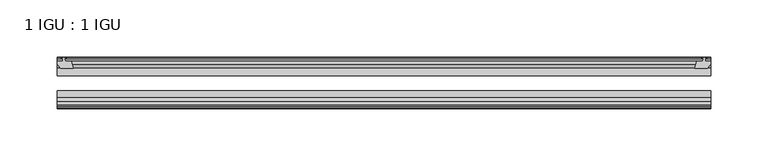
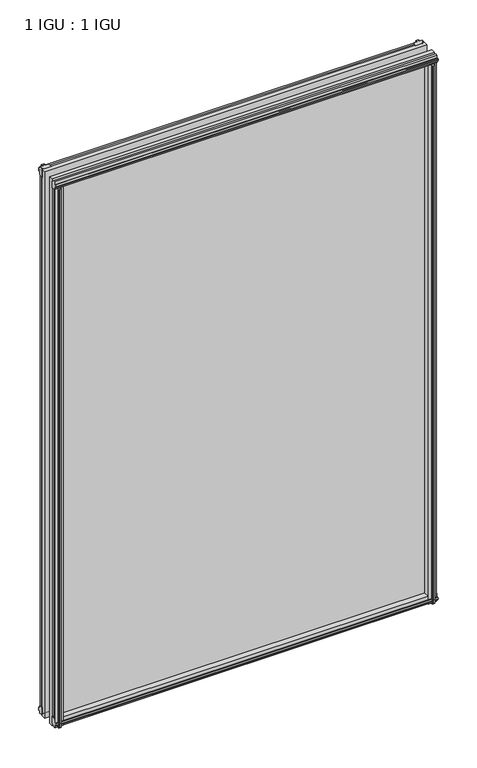
"""IFC4 building model written with IfcOpenShell, lengths in millimetres: plate geometry, 1 IGU : 1 IGU."""

from ifc_helpers import new_model, si_unit, frame, origin, place, context, project, spatial, polyline, outline, extrude, source, transform, mapped, element, save


def plate_1_igu_1_igu_de1ec655(model_context):
    return source(origin(), model_context, "Body", "SweptSolid", [
        extrude(outline(polyline([(277.7431709, -10.4746158), (279.9207, -9.7670938), (282.0982291, -10.4746158), (282.0982291, -11.27583), (280.6827, -10.8158968), (281.0637, -13.1960938), (285.5087, -13.1960938), (285.5087, -16.1424938), (282.6743578, -19.5460938), (271.8529819, -19.5460938), (273.5707, -13.1960938), (278.7777, -13.1960938), (279.1587, -10.8158968), (277.7431709, -11.27583), (277.7431709, -10.4746158)])), frame((0.0, 0.0, -12.4587), z_axis=(0.0, 0.0, 1.0), x_axis=(1.0, 0.0, 0.0)), (0.0, 0.0, 1.0), 863.1174),
        extrude(outline(polyline([(-279.9207, -9.7670937), (-277.7431709, -10.4746158), (-277.7431709, -11.27583), (-279.1587, -10.8158968), (-278.7777, -13.1960937), (-273.5707, -13.1960937), (-271.8529819, -19.5460937), (-282.6743578, -19.5460937), (-285.5087, -16.1424937), (-285.5087, -13.1960937), (-281.0637, -13.1960937), (-280.6827, -10.8158968), (-282.0982291, -11.27583), (-282.0982291, -10.4746158), (-279.9207, -9.7670937)])), frame((0.0, 0.0, -12.4587), z_axis=(0.0, 0.0, 1.0), x_axis=(1.0, 0.0, 0.0)), (0.0, 0.0, 1.0), 863.1174),
        extrude(outline(polyline([(271.3355839, -44.9460938), (282.1569598, -44.9460938), (284.991302, -48.3496938), (284.991302, -51.2960938), (280.546302, -51.2960938), (280.165302, -53.6762907), (281.580831, -53.2163575), (281.580831, -54.0175717), (279.403302, -54.7250938), (277.2257729, -54.0175717), (277.2257729, -53.2163575), (278.641302, -53.6762907), (278.260302, -51.2960938), (273.053302, -51.2960938), (271.3355839, -44.9460938)])), frame((0.0, 0.0, -12.4587), z_axis=(0.0, 0.0, 1.0), x_axis=(1.0, 0.0, 0.0)), (0.0, 0.0, 1.0), 850.4174),
        extrude(outline(polyline([(-271.3322819, -44.9460937), (-273.05, -51.2960937), (-278.257, -51.2960937), (-278.638, -53.6762907), (-277.2224709, -53.2163575), (-277.2224709, -54.0175717), (-279.4, -54.7250937), (-281.5775291, -54.0175717), (-281.5775291, -53.2163575), (-280.162, -53.6762907), (-280.543, -51.2960937), (-284.988, -51.2960937), (-284.988, -48.3496937), (-282.1536578, -44.9460937), (-271.3322819, -44.9460937)])), frame((0.0, 0.0, -12.4587), z_axis=(0.0, 0.0, 1.0), x_axis=(1.0, 0.0, 0.0)), (0.0, 0.0, 1.0), 850.4174),
        extrude(outline(polyline([(-10.4746158, -4.6931709), (-9.7670937, -6.8707), (-10.4746158, -9.0482291), (-11.27583, -9.0482291), (-10.8158968, -7.6327), (-13.1960937, -8.0137), (-13.1960937, -12.4587), (-16.1424937, -12.4587), (-19.5460937, -9.6243578), (-19.5460937, 1.1970181), (-13.1960937, -0.5207), (-13.1960937, -5.7277), (-10.8158968, -6.1087), (-11.27583, -4.6931709), (-10.4746158, -4.6931709)])), frame((-285.75, 0.0, 0.0), z_axis=(1.0, 0.0, 0.0), x_axis=(0.0, 1.0, 0.0)), (0.0, 0.0, 1.0), 571.5),
        extrude(outline(polyline([(-44.9460937, 1.7177181), (-44.9460937, -9.1036578), (-48.3496937, -11.938), (-51.2960937, -11.938), (-51.2960937, -7.493), (-53.6762907, -7.112), (-53.2163575, -8.5275291), (-54.0175717, -8.5275291), (-54.7250937, -6.35), (-54.0175717, -4.1724709), (-53.2163575, -4.1724709), (-53.6762907, -5.588), (-51.2960937, -5.207), (-51.2960937, 0.0), (-44.9460937, 1.7177181)])), frame((-285.75, 0.0, 0.0), z_axis=(1.0, 0.0, 0.0), x_axis=(0.0, 1.0, 0.0)), (0.0, 0.0, 1.0), 571.5),
        extrude(outline(polyline([(-10.8158968, 845.8327), (-11.27583, 847.2482291), (-10.4746158, 847.2482291), (-9.7670937, 845.0707), (-10.4746158, 842.8931709), (-11.27583, 842.8931709), (-10.8158968, 844.3087), (-13.1960937, 843.9277), (-13.1960937, 838.7207), (-19.5460938, 837.0029819), (-19.5460938, 847.8243578), (-16.1424937, 850.6587), (-13.1960937, 850.6587), (-13.1960937, 846.2137), (-10.8158968, 845.8327)])), frame((-285.75, 0.0, 0.0), z_axis=(1.0, 0.0, 0.0), x_axis=(0.0, 1.0, 0.0)), (0.0, 0.0, 1.0), 571.5),
        extrude(outline(polyline([(-51.2960937, 850.138), (-48.3496937, 850.138), (-44.9460938, 847.3036578), (-44.9460938, 836.4822819), (-51.2960937, 838.2), (-51.2960937, 843.407), (-53.6762907, 843.788), (-53.2163575, 842.3724709), (-54.0175717, 842.3724709), (-54.7250937, 844.55), (-54.0175717, 846.7275291), (-53.2163575, 846.7275291), (-53.6762907, 845.312), (-51.2960937, 845.693), (-51.2960937, 850.138)])), frame((-285.75, 0.0, 0.0), z_axis=(1.0, 0.0, 0.0), x_axis=(0.0, 1.0, 0.0)), (0.0, 0.0, 1.0), 571.5),
        extrude(outline(polyline([(-285.75, -38.9186738), (285.75, -38.9186738), (285.75, -44.9460937), (-285.75, -44.9460937), (-285.75, -38.9186738)])), frame((0.0, 0.0, -12.7), z_axis=(0.0, 0.0, 1.0), x_axis=(1.0, 0.0, 0.0)), (0.0, 0.0, 1.0), 863.6),
        extrude(outline(polyline([(-285.75, -19.5460937), (285.75, -19.5460937), (285.75, -25.8960938), (-285.75, -25.8960938), (-285.75, -19.5460937)])), frame((0.0, 0.0, -12.7), z_axis=(0.0, 0.0, 1.0), x_axis=(1.0, 0.0, 0.0)), (0.0, 0.0, 1.0), 863.6),
    ])


if __name__ == "__main__":
    model = new_model("IFC4")
    model_context = context("Model", 3, world=origin())
    ifc_project = project(units=[si_unit("LENGTHUNIT", "METRE", prefix="MILLI")], contexts=[model_context])
    site = spatial("IfcSite", under=ifc_project)
    building = spatial("IfcBuilding", under=site)
    placement = place(None, origin())
    plate_1_igu_1_igu_shape = plate_1_igu_1_igu_de1ec655(model_context)
    element("IfcPlate", 1, ObjectType="1 IGU : 1 IGU", at=placement, inside=building, context=model_context, shape_type="MappedRepresentation", body=[
        mapped(plate_1_igu_1_igu_shape, transform((0.0, 0.0, 0.0), x_axis=(1.0, 0.0, 0.0), y_axis=(0.0, 1.0, 0.0), z_axis=(0.0, 0.0, 1.0))),
    ])
    save(model, "model.ifc")
